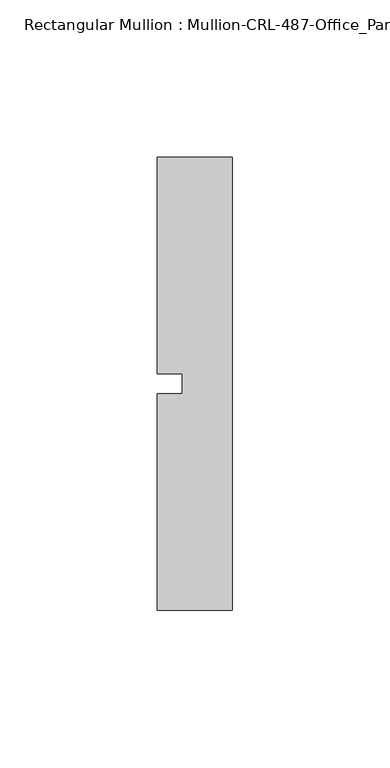
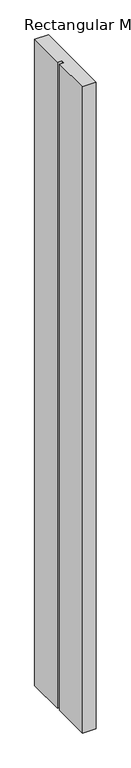
"""IFC4 building model written with IfcOpenShell, lengths in millimetres: member geometry, Rectangular Mullion : Mullion-CRL-487-Office_Partition-Right_Jamb."""

from ifc_helpers import new_model, si_unit, frame, origin, place, context, project, spatial, polyline, outline, extrude, source, transform, mapped, element, save


def rectangular_mullion_mullion_crl_487_office_partition_right_4f7b5c87(model_context):
    return source(origin(), model_context, "Body", "SweptSolid", [
        extrude(outline(polyline([(-23.7998, -71.9452143), (-23.7998, -3.175), (-15.8623, -3.175), (-15.8623, 3.175), (-23.7998, 3.175), (-23.7998, 71.9452142), (0.0, 71.9452142), (0.0, -71.9452143), (-23.7998, -71.9452143)])), frame((0.0, 0.0, -1187.45), z_axis=(0.0, 0.0, 1.0), x_axis=(1.0, 0.0, 0.0)), (0.0, 0.0, 1.0), 1187.45),
    ])


if __name__ == "__main__":
    model = new_model("IFC4")
    model_context = context("Model", 3, world=origin())
    ifc_project = project(units=[si_unit("LENGTHUNIT", "METRE", prefix="MILLI")], contexts=[model_context])
    site = spatial("IfcSite", under=ifc_project)
    building = spatial("IfcBuilding", under=site)
    placement = place(None, origin())
    rectangular_mullion_mullion_crl_487_office_partition_right_shape = rectangular_mullion_mullion_crl_487_office_partition_right_4f7b5c87(model_context)
    element("IfcMember", 1, ObjectType="Rectangular Mullion : Mullion-CRL-487-Office_Partition-Right_Jamb", at=placement, inside=building, context=model_context, shape_type="MappedRepresentation", body=[
        mapped(rectangular_mullion_mullion_crl_487_office_partition_right_shape, transform((0.0, 0.0, 0.0), x_axis=(1.0, 0.0, 0.0), y_axis=(0.0, 1.0, 0.0), z_axis=(0.0, 0.0, 1.0))),
    ])
    save(model, "model.ifc")
